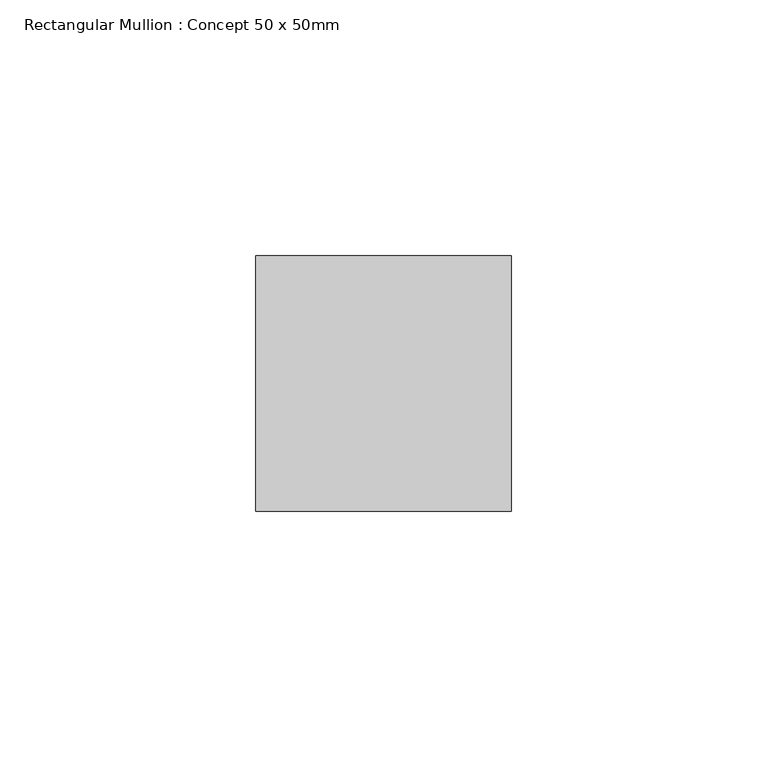
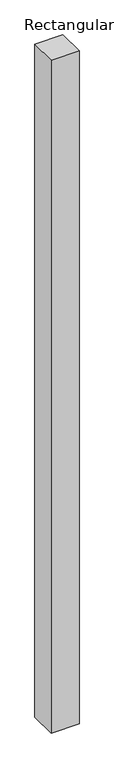
"""IFC4 building model written with IfcOpenShell, lengths in millimetres: member geometry, Rectangular Mullion : Concept 50 x 50mm."""

from ifc_helpers import new_model, si_unit, frame, origin, place, context, project, spatial, polyline, outline, extrude, source, transform, mapped, element, save


def rectangular_mullion_concept_50_x_50mm_51dd7e34(model_context):
    return source(origin(), model_context, "Body", "SweptSolid", [
        extrude(outline(polyline([(0.0, 50.0), (0.0, 0.0), (-50.0, 0.0), (-50.0, 50.0), (0.0, 50.0)])), frame((0.0, 0.0, -1271.8941641), z_axis=(0.0, 0.0, 1.0), x_axis=(1.0, 0.0, 0.0)), (0.0, 0.0, 1.0), 1271.8941641),
    ])


if __name__ == "__main__":
    model = new_model("IFC4")
    model_context = context("Model", 3, world=origin())
    ifc_project = project(units=[si_unit("LENGTHUNIT", "METRE", prefix="MILLI")], contexts=[model_context])
    site = spatial("IfcSite", under=ifc_project)
    building = spatial("IfcBuilding", under=site)
    placement = place(None, origin())
    rectangular_mullion_concept_50_x_50mm_shape = rectangular_mullion_concept_50_x_50mm_51dd7e34(model_context)
    element("IfcMember", 1, ObjectType="Rectangular Mullion : Concept 50 x 50mm", at=placement, inside=building, context=model_context, shape_type="MappedRepresentation", body=[
        mapped(rectangular_mullion_concept_50_x_50mm_shape, transform((0.0, 0.0, 0.0), x_axis=(1.0, 0.0, 0.0), y_axis=(0.0, 1.0, 0.0), z_axis=(0.0, 0.0, 1.0))),
    ])
    save(model, "model.ifc")
